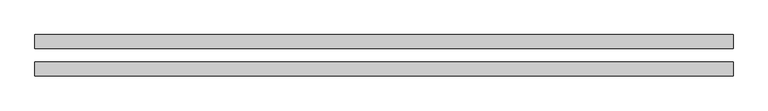
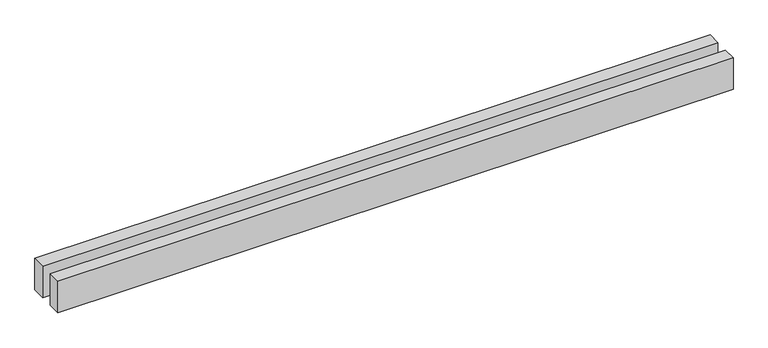
"""IFC4 building model written with IfcOpenShell, lengths in millimetres: proxy geometry."""

from ifc_helpers import new_model, si_unit, origin, origin_with_axes, place, context, project, spatial, polyline, outline, extrude, source, transform, mapped, element, save


def generic_models_740deff8(model_context):
    return source(origin(), model_context, "Body", "SweptSolid", [
        extrude(outline(polyline([(10142.1356237, 300.0), (10142.1356237, 100.0), (0.0, 100.0), (0.0, 300.0), (10142.1356237, 300.0)])), origin_with_axes(), (0.0, 0.0, 1.0), 500.0),
        extrude(outline(polyline([(10142.1356237, -100.0), (10142.1356237, -300.0), (0.0, -300.0), (0.0, -100.0), (10142.1356237, -100.0)])), origin_with_axes(), (0.0, 0.0, 1.0), 500.0),
    ])


if __name__ == "__main__":
    model = new_model("IFC4")
    model_context = context("Model", 3, world=origin())
    ifc_project = project(units=[si_unit("LENGTHUNIT", "METRE", prefix="MILLI")], contexts=[model_context])
    site = spatial("IfcSite", under=ifc_project)
    building = spatial("IfcBuilding", under=site)
    placement = place(None, origin())
    generic_models_shape = generic_models_740deff8(model_context)
    element("IfcBuildingElementProxy", 1, Name="Generic Models", at=placement, inside=building, context=model_context, shape_type="MappedRepresentation", body=[
        mapped(generic_models_shape, transform((0.0, 0.0, 0.0), x_axis=(1.0, 0.0, 0.0), y_axis=(0.0, 1.0, 0.0), z_axis=(0.0, 0.0, 1.0))),
    ])
    save(model, "model.ifc")
